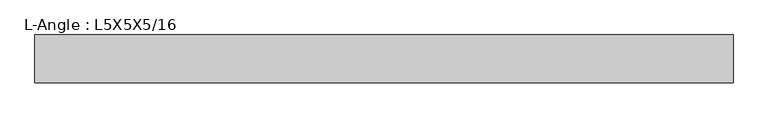
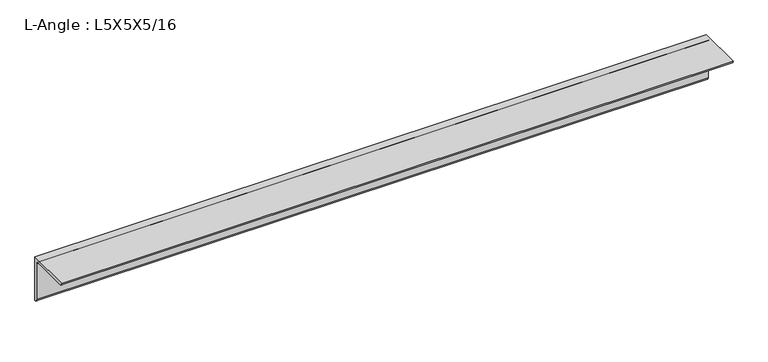
"""IFC4 building model written with IfcOpenShell, lengths in millimetres: beam geometry, L-Angle : L5X5X5/16."""

from ifc_helpers import new_model, si_unit, point, frame, frame_2d, origin, place, context, project, spatial, polyline, circle_curve, trimmed, segment, composite_curve, outline, extrude, source, transform, mapped, element, save


def l_angle_l5x5x5_16_3c6d30ef(model_context):
    return source(origin(), model_context, "Body", "SweptSolid", [
        extrude(outline(composite_curve([segment(polyline([(34.3296875, 34.3296875), (34.3296875, -92.6703125)]), True, "CONTINUOUS"), segment(trimmed(circle_curve(frame_2d((34.3296875, -84.7328125)), 7.9375), [point((34.3296875, -92.6703125))], [point((26.3921875, -84.7328125))], False, "CARTESIAN"), True, "CONTINUOUS"), segment(polyline([(26.3921875, -84.7328125), (26.3921875, 18.4546875)]), True, "CONTINUOUS"), segment(trimmed(circle_curve(frame_2d((18.4546875, 18.4546875)), 7.9375), [point((26.3921875, 18.4546875))], [point((18.4546875, 26.3921875))], True, "CARTESIAN"), True, "CONTINUOUS"), segment(polyline([(18.4546875, 26.3921875), (-84.7328125, 26.3921875)]), True, "CONTINUOUS"), segment(trimmed(circle_curve(frame_2d((-84.7328125, 34.3296875)), 7.9375), [point((-84.7328125, 26.3921875))], [point((-92.6703125, 34.3296875))], False, "CARTESIAN"), True, "CONTINUOUS"), segment(polyline([(-92.6703125, 34.3296875), (34.3296875, 34.3296875)]), True, "CONTINUOUS")], self_intersect=False)), frame((-943.5703125, 0.0, 0.0), z_axis=(1.0, 0.0, 0.0), x_axis=(0.0, 1.0, 0.0)), (0.0, 0.0, 1.0), 1845.0222656),
    ])


if __name__ == "__main__":
    model = new_model("IFC4")
    model_context = context("Model", 3, world=origin())
    ifc_project = project(units=[si_unit("LENGTHUNIT", "METRE", prefix="MILLI")], contexts=[model_context])
    site = spatial("IfcSite", under=ifc_project)
    building = spatial("IfcBuilding", under=site)
    placement = place(None, origin())
    l_angle_l5x5x5_16_shape = l_angle_l5x5x5_16_3c6d30ef(model_context)
    element("IfcBeam", 1, ObjectType="L-Angle : L5X5X5/16", at=placement, inside=building, context=model_context, shape_type="MappedRepresentation", body=[
        mapped(l_angle_l5x5x5_16_shape, transform((0.0, 0.0, 0.0), x_axis=(1.0, 0.0, 0.0), y_axis=(0.0, 1.0, 0.0), z_axis=(0.0, 0.0, 1.0))),
    ])
    save(model, "model.ifc")
